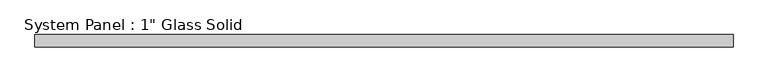
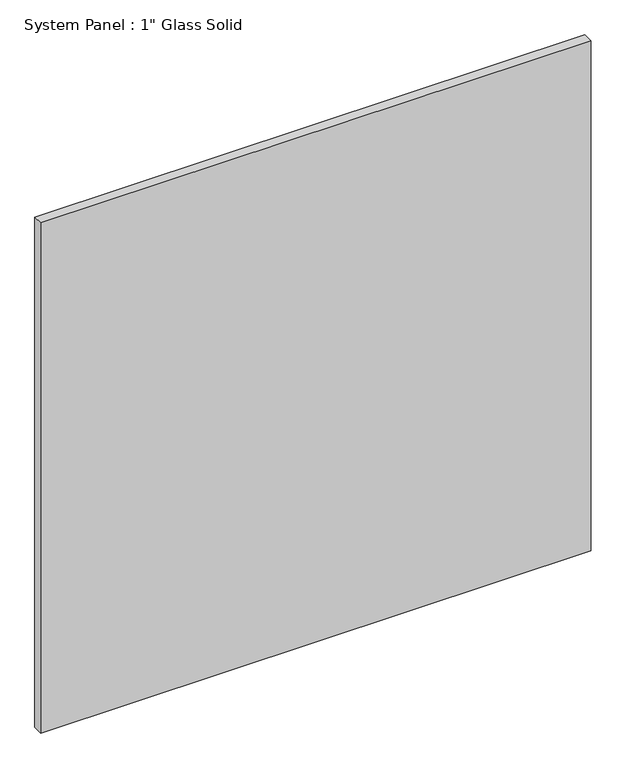
"""IFC4 building model written with IfcOpenShell, lengths in millimetres: plate geometry."""

from ifc_helpers import new_model, si_unit, origin, origin_with_axes, place, context, project, spatial, polyline, outline, extrude, source, transform, mapped, element, save


def plate_95d291c9(model_context):
    return source(origin(), model_context, "Body", "SweptSolid", [
        extrude(outline(polyline([(711.6804024, -12.7), (-711.6804024, -12.7), (-711.6804024, 12.7), (711.6804024, 12.7), (711.6804024, -12.7)])), origin_with_axes(), (0.0, 0.0, 1.0), 1394.5741382),
    ])


if __name__ == "__main__":
    model = new_model("IFC4")
    model_context = context("Model", 3, world=origin())
    ifc_project = project(units=[si_unit("LENGTHUNIT", "METRE", prefix="MILLI")], contexts=[model_context])
    site = spatial("IfcSite", under=ifc_project)
    building = spatial("IfcBuilding", under=site)
    placement = place(None, origin())
    plate_shape = plate_95d291c9(model_context)
    element("IfcPlate", 1, ObjectType="System Panel : 1\" Glass Solid", at=placement, inside=building, context=model_context, shape_type="MappedRepresentation", body=[
        mapped(plate_shape, transform((0.0, 0.0, 0.0), x_axis=(1.0, 0.0, 0.0), y_axis=(0.0, 1.0, 0.0), z_axis=(0.0, 0.0, 1.0))),
    ])
    save(model, "model.ifc")
